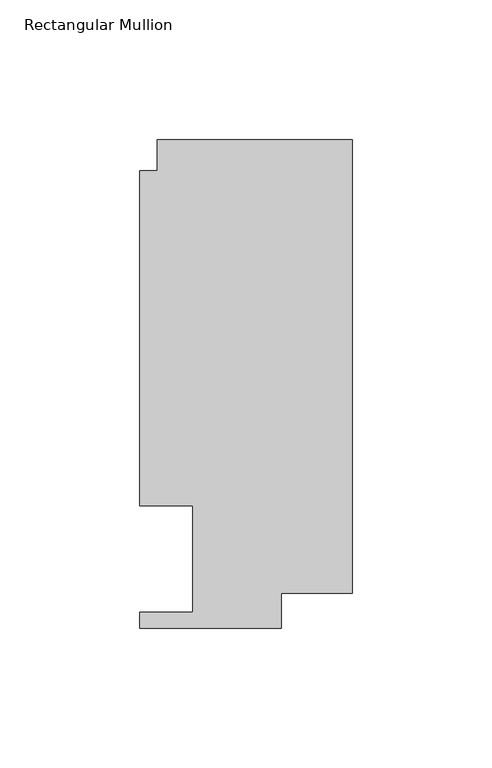
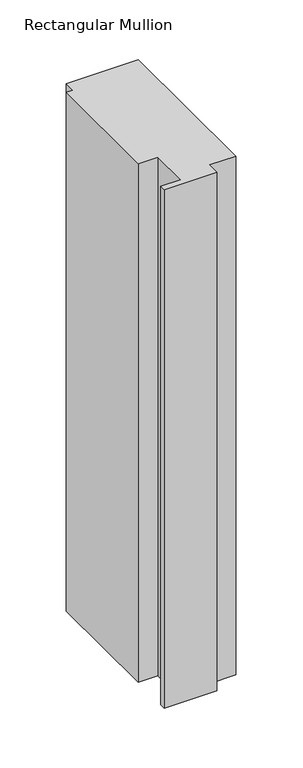
"""IFC4 building model written with IfcOpenShell, lengths in millimetres: member geometry, Rectangular Mullion."""

import ifcopenshell
import ifcopenshell.guid

model = None  # the IFC model being written
_history = None  # IfcOwnerHistory: only IFC2X3 demands one
_inside = {}  # id of a spatial element -> (the spatial element, [elements in it])
_under = {}  # id of a project, library or spatial element -> (it, [spatial elements below it])
_declared = {}  # id of a project -> (the project, [libraries it declares])
_typed = {}  # id of a type object -> (the type object, [elements of that type])
_made_of = {}  # id of a material, layer set ... -> (it, [elements and type objects made of it])


def new_model(schema):
    """Start an empty IFC model of exactly this schema.

    Asked for "IFC4X3", IfcOpenShell would pick the latest addendum, in which some entities
    have other attributes; the version numbers below select the first issue.
    IFC2X3 requires an IfcOwnerHistory on every rooted entity: one is made here for all.
    """
    global model, _history
    if schema == "IFC4X3":
        model = ifcopenshell.file(schema_version=(4, 3, 0, 0))
    else:
        model = ifcopenshell.file(schema=schema)
    _inside.clear()
    _under.clear()
    _declared.clear()
    _typed.clear()
    _made_of.clear()
    _history = None
    if model.schema == "IFC2X3":
        org = make("IfcOrganization", Name="unknown")
        user = make(
            "IfcPersonAndOrganization",
            ThePerson=make("IfcPerson", FamilyName="unknown"),
            TheOrganization=org,
        )
        app = make(
            "IfcApplication",
            ApplicationDeveloper=org,
            Version="unknown",
            ApplicationFullName="unknown",
            ApplicationIdentifier="unknown",
        )
        _history = make(
            "IfcOwnerHistory",
            OwningUser=user,
            OwningApplication=app,
            ChangeAction="ADDED",
            CreationDate=0,
        )
    return model


def make(cls, **values):
    """One entity of the class cls with the attributes given. An attribute that is None is left unset."""
    return model.create_entity(
        cls, **{name: value for name, value in values.items() if value is not None}
    )


def rooted(cls, **values):
    """An entity with a GlobalId (a new one), such as an element, a storey or a relation."""
    return make(cls, GlobalId=ifcopenshell.guid.new(), OwnerHistory=_history, **values)


def si_unit(unit_type, name, prefix=None):
    """IfcSIUnit, for example si_unit("LENGTHUNIT", "METRE", prefix="MILLI")."""
    return make("IfcSIUnit", UnitType=unit_type, Prefix=prefix, Name=name)


def assignment(units):
    """IfcUnitAssignment: the units of a project."""
    return None if units is None else make("IfcUnitAssignment", Units=units)


def point(xyz):
    """IfcCartesianPoint."""
    return None if xyz is None else make("IfcCartesianPoint", Coordinates=xyz)


def direction(xyz):
    """IfcDirection."""
    return None if xyz is None else make("IfcDirection", DirectionRatios=xyz)


def frame(location, z_axis=None, x_axis=None):
    """IfcAxis2Placement3D, a coordinate frame: its origin and axes. An axis left out is left unset."""
    return make(
        "IfcAxis2Placement3D",
        Location=point(location),
        Axis=direction(z_axis),
        RefDirection=direction(x_axis),
    )


def origin():
    """The frame at (0, 0, 0) with its axes left unset."""
    return frame((0.0, 0.0, 0.0))


def place(relative_to, where):
    """IfcLocalPlacement: puts the frame where relative to a parent placement (None: the world)."""
    return make(
        "IfcLocalPlacement", PlacementRelTo=relative_to, RelativePlacement=where
    )


def context(
    kind, dimensions, precision=None, world=None, true_north=None, identifier=None
):
    """IfcGeometricRepresentationContext, for example the 3D "Model" context."""
    return make(
        "IfcGeometricRepresentationContext",
        ContextIdentifier=identifier,
        ContextType=kind,
        CoordinateSpaceDimension=dimensions,
        Precision=precision,
        WorldCoordinateSystem=world,
        TrueNorth=true_north,
    )


def project(units=None, contexts=None):
    """IfcProject with its units and contexts."""
    return rooted(
        "IfcProject",
        Name="project",
        RepresentationContexts=contexts,
        UnitsInContext=assignment(units),
    )


def spatial(cls, under=None, at=None, **own):
    """A site, building, storey or space (cls), placed at a placement, below another one or the project."""
    s = rooted(cls, ObjectPlacement=at, **own)
    if under is not None:
        _under.setdefault(under.id(), (under, []))[1].append(s)
    return s


def polyline(points):
    """IfcPolyline through the points."""
    return make("IfcPolyline", Points=[point(p) for p in points])


def outline(outer, holes=None, kind="AREA"):
    """IfcArbitraryClosedProfileDef: a profile drawn as a closed curve; with holes, ...WithVoids."""
    if holes is None:
        return make("IfcArbitraryClosedProfileDef", ProfileType=kind, OuterCurve=outer)
    return make(
        "IfcArbitraryProfileDefWithVoids",
        ProfileType=kind,
        OuterCurve=outer,
        InnerCurves=holes,
    )


def extrude(swept, where, along, depth):
    """IfcExtrudedAreaSolid: the profile swept, set in the frame where, extruded along a direction by depth."""
    return make(
        "IfcExtrudedAreaSolid",
        SweptArea=swept,
        Position=where,
        ExtrudedDirection=direction(along),
        Depth=depth,
    )


def shape(context_of_items, identifier, shape_type, items):
    """IfcShapeRepresentation: the items that make up one representation, for example the "Body"."""
    return make(
        "IfcShapeRepresentation",
        ContextOfItems=context_of_items,
        RepresentationIdentifier=identifier,
        RepresentationType=shape_type,
        Items=items,
    )


def source(mapping_origin, context_of_items, identifier, shape_type, items):
    """IfcRepresentationMap: a shape defined once, which mapped items show again and again."""
    return make(
        "IfcRepresentationMap",
        MappingOrigin=mapping_origin,
        MappedRepresentation=shape(context_of_items, identifier, shape_type, items),
    )


def transform(
    local_origin,
    x_axis=None,
    y_axis=None,
    z_axis=None,
    scale=None,
    scale2=None,
    scale3=None,
    uniform=True,
):
    """IfcCartesianTransformationOperator3D, or its non-uniform kind. x_axis, y_axis, z_axis: its Axis1, 2, 3."""
    if uniform:
        return make(
            "IfcCartesianTransformationOperator3D",
            Axis1=direction(x_axis),
            Axis2=direction(y_axis),
            LocalOrigin=point(local_origin),
            Scale=scale,
            Axis3=direction(z_axis),
        )
    return make(
        "IfcCartesianTransformationOperator3DnonUniform",
        Axis1=direction(x_axis),
        Axis2=direction(y_axis),
        LocalOrigin=point(local_origin),
        Scale=scale,
        Axis3=direction(z_axis),
        Scale2=scale2,
        Scale3=scale3,
    )


def mapped(mapping_source, mapping_target):
    """IfcMappedItem: shows the shape of a source again, moved by a transform."""
    return make(
        "IfcMappedItem", MappingSource=mapping_source, MappingTarget=mapping_target
    )


def made_of(thing, what):
    """Note that an element or type object is made of a material, layer set ...; save() writes the relation."""
    if what is not None:
        _made_of.setdefault(what.id(), (what, []))[1].append(thing)
    return thing


def element(
    cls,
    number,
    at=None,
    inside=None,
    cuts=None,
    type_object=None,
    material=None,
    context=None,
    identifier="Body",
    shape_type=None,
    held_by="IfcProductDefinitionShape",
    body=None,
    shapes=None,
    **own,
):
    """One element of the class cls, such as IfcWall. Its Tag is "e" and its number.

    at: its placement. inside: the storey or other place that contains it. cuts: it is an
    opening in that element (IfcRelVoidsElement). A single representation is given by context,
    identifier, shape_type and body (its items); several are given by shapes. held_by: the class
    of the entity that holds the representations. save() writes the other relations.
    """
    e = rooted(cls, Tag="e%d" % number, ObjectPlacement=at, **own)
    if body is not None:
        shapes = [shape(context, identifier, shape_type, body)]
    if shapes is not None:
        e.Representation = make(held_by, Representations=shapes)
    if inside is not None:
        _inside.setdefault(inside.id(), (inside, []))[1].append(e)
    if cuts is not None:
        rooted(
            "IfcRelVoidsElement", RelatingBuildingElement=cuts, RelatedOpeningElement=e
        )
    if type_object is not None:
        _typed.setdefault(type_object.id(), (type_object, []))[1].append(e)
    return made_of(e, material)


def aggregate(whole, parts):
    """IfcRelAggregates: a whole, such as a stair, and the parts it consists of."""
    return rooted("IfcRelAggregates", RelatingObject=whole, RelatedObjects=parts)


def save(model, path):
    """Write the relations noted so far, then the file.

    IfcRelAggregates (storeys below a building ...), IfcRelContainedInSpatialStructure (elements
    in a storey), IfcRelDefinesByType, IfcRelAssociatesMaterial and IfcRelDeclares: one each for
    every whole, place, type object, material and project.
    """
    for whole, parts in _under.values():
        aggregate(whole, parts)
    for where, things in _inside.values():
        rooted(
            "IfcRelContainedInSpatialStructure",
            RelatedElements=things,
            RelatingStructure=where,
        )
    for kind, things in _typed.values():
        rooted("IfcRelDefinesByType", RelatedObjects=things, RelatingType=kind)
    for what, things in _made_of.values():
        rooted("IfcRelAssociatesMaterial", RelatedObjects=things, RelatingMaterial=what)
    for by, libraries in _declared.values():
        rooted("IfcRelDeclares", RelatingContext=by, RelatedDefinitions=libraries)
    model.write(path)


def rectangular_mullion_691a388e(model_context):
    return source(origin(), model_context, "Body", "SweptSolid", [
        extrude(outline(polyline([(-69.8417664, 163.068), (0.0, 163.068), (0.0, 0.3801778), (-25.4044662, 0.3801778), (-25.4044662, -12.065), (-76.2171663, -12.065), (-76.2171663, -6.35), (-57.1417663, -6.35), (-57.1417663, 31.75), (-76.1917663, 31.75), (-76.1917663, 151.892), (-69.8417664, 151.892), (-69.8417664, 163.068)])), frame((0.0, 0.0, -530.352), z_axis=(0.0, 0.0, 1.0), x_axis=(1.0, 0.0, 0.0)), (0.0, 0.0, 1.0), 530.352),
    ])


if __name__ == "__main__":
    model = new_model("IFC4")
    model_context = context("Model", 3, world=origin())
    ifc_project = project(units=[si_unit("LENGTHUNIT", "METRE", prefix="MILLI")], contexts=[model_context])
    site = spatial("IfcSite", under=ifc_project)
    building = spatial("IfcBuilding", under=site)
    placement = place(None, origin())
    rectangular_mullion_shape = rectangular_mullion_691a388e(model_context)
    element("IfcMember", 1, ObjectType="Rectangular Mullion", at=placement, inside=building, context=model_context, shape_type="MappedRepresentation", body=[
        mapped(rectangular_mullion_shape, transform((0.0, 0.0, 0.0), x_axis=(1.0, 0.0, 0.0), y_axis=(0.0, 1.0, 0.0), z_axis=(0.0, 0.0, 1.0))),
    ])
    save(model, "model.ifc")
